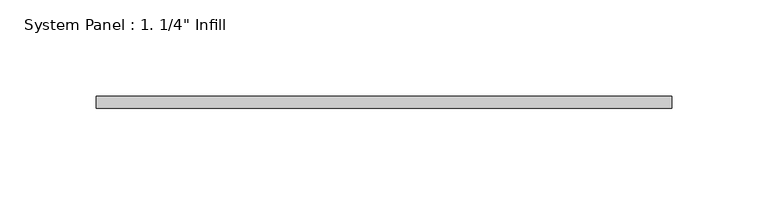
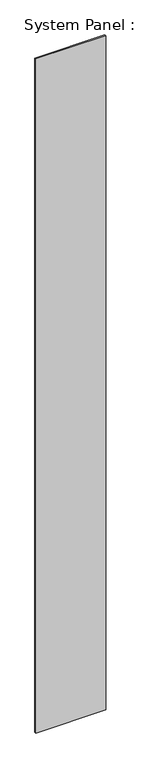
"""IFC4 building model written with IfcOpenShell, lengths in millimetres: plate geometry."""

import ifcopenshell
import ifcopenshell.guid

model = None  # the IFC model being written
_history = None  # IfcOwnerHistory: only IFC2X3 demands one
_inside = {}  # id of a spatial element -> (the spatial element, [elements in it])
_under = {}  # id of a project, library or spatial element -> (it, [spatial elements below it])
_declared = {}  # id of a project -> (the project, [libraries it declares])
_typed = {}  # id of a type object -> (the type object, [elements of that type])
_made_of = {}  # id of a material, layer set ... -> (it, [elements and type objects made of it])


def new_model(schema):
    """Start an empty IFC model of exactly this schema.

    Asked for "IFC4X3", IfcOpenShell would pick the latest addendum, in which some entities
    have other attributes; the version numbers below select the first issue.
    IFC2X3 requires an IfcOwnerHistory on every rooted entity: one is made here for all.
    """
    global model, _history
    if schema == "IFC4X3":
        model = ifcopenshell.file(schema_version=(4, 3, 0, 0))
    else:
        model = ifcopenshell.file(schema=schema)
    _inside.clear()
    _under.clear()
    _declared.clear()
    _typed.clear()
    _made_of.clear()
    _history = None
    if model.schema == "IFC2X3":
        org = make("IfcOrganization", Name="unknown")
        user = make(
            "IfcPersonAndOrganization",
            ThePerson=make("IfcPerson", FamilyName="unknown"),
            TheOrganization=org,
        )
        app = make(
            "IfcApplication",
            ApplicationDeveloper=org,
            Version="unknown",
            ApplicationFullName="unknown",
            ApplicationIdentifier="unknown",
        )
        _history = make(
            "IfcOwnerHistory",
            OwningUser=user,
            OwningApplication=app,
            ChangeAction="ADDED",
            CreationDate=0,
        )
    return model


def make(cls, **values):
    """One entity of the class cls with the attributes given. An attribute that is None is left unset."""
    return model.create_entity(
        cls, **{name: value for name, value in values.items() if value is not None}
    )


def rooted(cls, **values):
    """An entity with a GlobalId (a new one), such as an element, a storey or a relation."""
    return make(cls, GlobalId=ifcopenshell.guid.new(), OwnerHistory=_history, **values)


def si_unit(unit_type, name, prefix=None):
    """IfcSIUnit, for example si_unit("LENGTHUNIT", "METRE", prefix="MILLI")."""
    return make("IfcSIUnit", UnitType=unit_type, Prefix=prefix, Name=name)


def assignment(units):
    """IfcUnitAssignment: the units of a project."""
    return None if units is None else make("IfcUnitAssignment", Units=units)


def point(xyz):
    """IfcCartesianPoint."""
    return None if xyz is None else make("IfcCartesianPoint", Coordinates=xyz)


def direction(xyz):
    """IfcDirection."""
    return None if xyz is None else make("IfcDirection", DirectionRatios=xyz)


def frame(location, z_axis=None, x_axis=None):
    """IfcAxis2Placement3D, a coordinate frame: its origin and axes. An axis left out is left unset."""
    return make(
        "IfcAxis2Placement3D",
        Location=point(location),
        Axis=direction(z_axis),
        RefDirection=direction(x_axis),
    )


def origin():
    """The frame at (0, 0, 0) with its axes left unset."""
    return frame((0.0, 0.0, 0.0))


def origin_with_axes():
    """The frame at (0, 0, 0) with the z axis (0, 0, 1) and the x axis (1, 0, 0) written out."""
    return frame((0.0, 0.0, 0.0), z_axis=(0.0, 0.0, 1.0), x_axis=(1.0, 0.0, 0.0))


def place(relative_to, where):
    """IfcLocalPlacement: puts the frame where relative to a parent placement (None: the world)."""
    return make(
        "IfcLocalPlacement", PlacementRelTo=relative_to, RelativePlacement=where
    )


def context(
    kind, dimensions, precision=None, world=None, true_north=None, identifier=None
):
    """IfcGeometricRepresentationContext, for example the 3D "Model" context."""
    return make(
        "IfcGeometricRepresentationContext",
        ContextIdentifier=identifier,
        ContextType=kind,
        CoordinateSpaceDimension=dimensions,
        Precision=precision,
        WorldCoordinateSystem=world,
        TrueNorth=true_north,
    )


def project(units=None, contexts=None):
    """IfcProject with its units and contexts."""
    return rooted(
        "IfcProject",
        Name="project",
        RepresentationContexts=contexts,
        UnitsInContext=assignment(units),
    )


def spatial(cls, under=None, at=None, **own):
    """A site, building, storey or space (cls), placed at a placement, below another one or the project."""
    s = rooted(cls, ObjectPlacement=at, **own)
    if under is not None:
        _under.setdefault(under.id(), (under, []))[1].append(s)
    return s


def polyline(points):
    """IfcPolyline through the points."""
    return make("IfcPolyline", Points=[point(p) for p in points])


def outline(outer, holes=None, kind="AREA"):
    """IfcArbitraryClosedProfileDef: a profile drawn as a closed curve; with holes, ...WithVoids."""
    if holes is None:
        return make("IfcArbitraryClosedProfileDef", ProfileType=kind, OuterCurve=outer)
    return make(
        "IfcArbitraryProfileDefWithVoids",
        ProfileType=kind,
        OuterCurve=outer,
        InnerCurves=holes,
    )


def extrude(swept, where, along, depth):
    """IfcExtrudedAreaSolid: the profile swept, set in the frame where, extruded along a direction by depth."""
    return make(
        "IfcExtrudedAreaSolid",
        SweptArea=swept,
        Position=where,
        ExtrudedDirection=direction(along),
        Depth=depth,
    )


def shape(context_of_items, identifier, shape_type, items):
    """IfcShapeRepresentation: the items that make up one representation, for example the "Body"."""
    return make(
        "IfcShapeRepresentation",
        ContextOfItems=context_of_items,
        RepresentationIdentifier=identifier,
        RepresentationType=shape_type,
        Items=items,
    )


def source(mapping_origin, context_of_items, identifier, shape_type, items):
    """IfcRepresentationMap: a shape defined once, which mapped items show again and again."""
    return make(
        "IfcRepresentationMap",
        MappingOrigin=mapping_origin,
        MappedRepresentation=shape(context_of_items, identifier, shape_type, items),
    )


def transform(
    local_origin,
    x_axis=None,
    y_axis=None,
    z_axis=None,
    scale=None,
    scale2=None,
    scale3=None,
    uniform=True,
):
    """IfcCartesianTransformationOperator3D, or its non-uniform kind. x_axis, y_axis, z_axis: its Axis1, 2, 3."""
    if uniform:
        return make(
            "IfcCartesianTransformationOperator3D",
            Axis1=direction(x_axis),
            Axis2=direction(y_axis),
            LocalOrigin=point(local_origin),
            Scale=scale,
            Axis3=direction(z_axis),
        )
    return make(
        "IfcCartesianTransformationOperator3DnonUniform",
        Axis1=direction(x_axis),
        Axis2=direction(y_axis),
        LocalOrigin=point(local_origin),
        Scale=scale,
        Axis3=direction(z_axis),
        Scale2=scale2,
        Scale3=scale3,
    )


def mapped(mapping_source, mapping_target):
    """IfcMappedItem: shows the shape of a source again, moved by a transform."""
    return make(
        "IfcMappedItem", MappingSource=mapping_source, MappingTarget=mapping_target
    )


def made_of(thing, what):
    """Note that an element or type object is made of a material, layer set ...; save() writes the relation."""
    if what is not None:
        _made_of.setdefault(what.id(), (what, []))[1].append(thing)
    return thing


def element(
    cls,
    number,
    at=None,
    inside=None,
    cuts=None,
    type_object=None,
    material=None,
    context=None,
    identifier="Body",
    shape_type=None,
    held_by="IfcProductDefinitionShape",
    body=None,
    shapes=None,
    **own,
):
    """One element of the class cls, such as IfcWall. Its Tag is "e" and its number.

    at: its placement. inside: the storey or other place that contains it. cuts: it is an
    opening in that element (IfcRelVoidsElement). A single representation is given by context,
    identifier, shape_type and body (its items); several are given by shapes. held_by: the class
    of the entity that holds the representations. save() writes the other relations.
    """
    e = rooted(cls, Tag="e%d" % number, ObjectPlacement=at, **own)
    if body is not None:
        shapes = [shape(context, identifier, shape_type, body)]
    if shapes is not None:
        e.Representation = make(held_by, Representations=shapes)
    if inside is not None:
        _inside.setdefault(inside.id(), (inside, []))[1].append(e)
    if cuts is not None:
        rooted(
            "IfcRelVoidsElement", RelatingBuildingElement=cuts, RelatedOpeningElement=e
        )
    if type_object is not None:
        _typed.setdefault(type_object.id(), (type_object, []))[1].append(e)
    return made_of(e, material)


def aggregate(whole, parts):
    """IfcRelAggregates: a whole, such as a stair, and the parts it consists of."""
    return rooted("IfcRelAggregates", RelatingObject=whole, RelatedObjects=parts)


def save(model, path):
    """Write the relations noted so far, then the file.

    IfcRelAggregates (storeys below a building ...), IfcRelContainedInSpatialStructure (elements
    in a storey), IfcRelDefinesByType, IfcRelAssociatesMaterial and IfcRelDeclares: one each for
    every whole, place, type object, material and project.
    """
    for whole, parts in _under.values():
        aggregate(whole, parts)
    for where, things in _inside.values():
        rooted(
            "IfcRelContainedInSpatialStructure",
            RelatedElements=things,
            RelatingStructure=where,
        )
    for kind, things in _typed.values():
        rooted("IfcRelDefinesByType", RelatedObjects=things, RelatingType=kind)
    for what, things in _made_of.values():
        rooted("IfcRelAssociatesMaterial", RelatedObjects=things, RelatingMaterial=what)
    for by, libraries in _declared.values():
        rooted("IfcRelDeclares", RelatingContext=by, RelatedDefinitions=libraries)
    model.write(path)


def plate_63be5e27(model_context):
    return source(origin(), model_context, "Body", "SweptSolid", [
        extrude(outline(polyline([(149.6744602, -6.35), (-149.6744602, -6.35), (-149.6744602, 0.0), (149.6744602, 0.0), (149.6744602, -6.35)])), origin_with_axes(), (0.0, 0.0, 1.0), 3048.0),
    ])


if __name__ == "__main__":
    model = new_model("IFC4")
    model_context = context("Model", 3, world=origin())
    ifc_project = project(units=[si_unit("LENGTHUNIT", "METRE", prefix="MILLI")], contexts=[model_context])
    site = spatial("IfcSite", under=ifc_project)
    building = spatial("IfcBuilding", under=site)
    placement = place(None, origin())
    plate_shape = plate_63be5e27(model_context)
    element("IfcPlate", 1, ObjectType="System Panel : 1. 1/4\" Infill", at=placement, inside=building, context=model_context, shape_type="MappedRepresentation", body=[
        mapped(plate_shape, transform((0.0, 0.0, 0.0), x_axis=(1.0, 0.0, 0.0), y_axis=(0.0, 1.0, 0.0), z_axis=(0.0, 0.0, 1.0))),
    ])
    save(model, "model.ifc")
